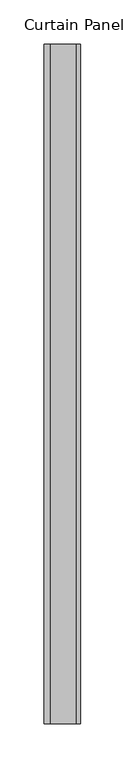
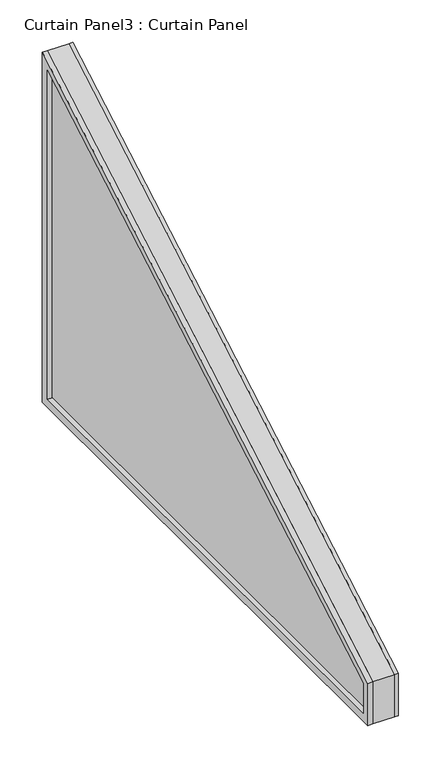
"""IFC4 building model written with IfcOpenShell, lengths in millimetres: plate geometry, Curtain Panel3 : Curtain Panel."""

import ifcopenshell
import ifcopenshell.guid

model = None  # the IFC model being written
_history = None  # IfcOwnerHistory: only IFC2X3 demands one
_inside = {}  # id of a spatial element -> (the spatial element, [elements in it])
_under = {}  # id of a project, library or spatial element -> (it, [spatial elements below it])
_declared = {}  # id of a project -> (the project, [libraries it declares])
_typed = {}  # id of a type object -> (the type object, [elements of that type])
_made_of = {}  # id of a material, layer set ... -> (it, [elements and type objects made of it])


def new_model(schema):
    """Start an empty IFC model of exactly this schema.

    Asked for "IFC4X3", IfcOpenShell would pick the latest addendum, in which some entities
    have other attributes; the version numbers below select the first issue.
    IFC2X3 requires an IfcOwnerHistory on every rooted entity: one is made here for all.
    """
    global model, _history
    if schema == "IFC4X3":
        model = ifcopenshell.file(schema_version=(4, 3, 0, 0))
    else:
        model = ifcopenshell.file(schema=schema)
    _inside.clear()
    _under.clear()
    _declared.clear()
    _typed.clear()
    _made_of.clear()
    _history = None
    if model.schema == "IFC2X3":
        org = make("IfcOrganization", Name="unknown")
        user = make(
            "IfcPersonAndOrganization",
            ThePerson=make("IfcPerson", FamilyName="unknown"),
            TheOrganization=org,
        )
        app = make(
            "IfcApplication",
            ApplicationDeveloper=org,
            Version="unknown",
            ApplicationFullName="unknown",
            ApplicationIdentifier="unknown",
        )
        _history = make(
            "IfcOwnerHistory",
            OwningUser=user,
            OwningApplication=app,
            ChangeAction="ADDED",
            CreationDate=0,
        )
    return model


def make(cls, **values):
    """One entity of the class cls with the attributes given. An attribute that is None is left unset."""
    return model.create_entity(
        cls, **{name: value for name, value in values.items() if value is not None}
    )


def rooted(cls, **values):
    """An entity with a GlobalId (a new one), such as an element, a storey or a relation."""
    return make(cls, GlobalId=ifcopenshell.guid.new(), OwnerHistory=_history, **values)


def si_unit(unit_type, name, prefix=None):
    """IfcSIUnit, for example si_unit("LENGTHUNIT", "METRE", prefix="MILLI")."""
    return make("IfcSIUnit", UnitType=unit_type, Prefix=prefix, Name=name)


def assignment(units):
    """IfcUnitAssignment: the units of a project."""
    return None if units is None else make("IfcUnitAssignment", Units=units)


def point(xyz):
    """IfcCartesianPoint."""
    return None if xyz is None else make("IfcCartesianPoint", Coordinates=xyz)


def direction(xyz):
    """IfcDirection."""
    return None if xyz is None else make("IfcDirection", DirectionRatios=xyz)


def frame(location, z_axis=None, x_axis=None):
    """IfcAxis2Placement3D, a coordinate frame: its origin and axes. An axis left out is left unset."""
    return make(
        "IfcAxis2Placement3D",
        Location=point(location),
        Axis=direction(z_axis),
        RefDirection=direction(x_axis),
    )


def origin():
    """The frame at (0, 0, 0) with its axes left unset."""
    return frame((0.0, 0.0, 0.0))


def place(relative_to, where):
    """IfcLocalPlacement: puts the frame where relative to a parent placement (None: the world)."""
    return make(
        "IfcLocalPlacement", PlacementRelTo=relative_to, RelativePlacement=where
    )


def context(
    kind, dimensions, precision=None, world=None, true_north=None, identifier=None
):
    """IfcGeometricRepresentationContext, for example the 3D "Model" context."""
    return make(
        "IfcGeometricRepresentationContext",
        ContextIdentifier=identifier,
        ContextType=kind,
        CoordinateSpaceDimension=dimensions,
        Precision=precision,
        WorldCoordinateSystem=world,
        TrueNorth=true_north,
    )


def project(units=None, contexts=None):
    """IfcProject with its units and contexts."""
    return rooted(
        "IfcProject",
        Name="project",
        RepresentationContexts=contexts,
        UnitsInContext=assignment(units),
    )


def spatial(cls, under=None, at=None, **own):
    """A site, building, storey or space (cls), placed at a placement, below another one or the project."""
    s = rooted(cls, ObjectPlacement=at, **own)
    if under is not None:
        _under.setdefault(under.id(), (under, []))[1].append(s)
    return s


def polyline(points):
    """IfcPolyline through the points."""
    return make("IfcPolyline", Points=[point(p) for p in points])


def outline(outer, holes=None, kind="AREA"):
    """IfcArbitraryClosedProfileDef: a profile drawn as a closed curve; with holes, ...WithVoids."""
    if holes is None:
        return make("IfcArbitraryClosedProfileDef", ProfileType=kind, OuterCurve=outer)
    return make(
        "IfcArbitraryProfileDefWithVoids",
        ProfileType=kind,
        OuterCurve=outer,
        InnerCurves=holes,
    )


def extrude(swept, where, along, depth):
    """IfcExtrudedAreaSolid: the profile swept, set in the frame where, extruded along a direction by depth."""
    return make(
        "IfcExtrudedAreaSolid",
        SweptArea=swept,
        Position=where,
        ExtrudedDirection=direction(along),
        Depth=depth,
    )


def shape(context_of_items, identifier, shape_type, items):
    """IfcShapeRepresentation: the items that make up one representation, for example the "Body"."""
    return make(
        "IfcShapeRepresentation",
        ContextOfItems=context_of_items,
        RepresentationIdentifier=identifier,
        RepresentationType=shape_type,
        Items=items,
    )


def source(mapping_origin, context_of_items, identifier, shape_type, items):
    """IfcRepresentationMap: a shape defined once, which mapped items show again and again."""
    return make(
        "IfcRepresentationMap",
        MappingOrigin=mapping_origin,
        MappedRepresentation=shape(context_of_items, identifier, shape_type, items),
    )


def transform(
    local_origin,
    x_axis=None,
    y_axis=None,
    z_axis=None,
    scale=None,
    scale2=None,
    scale3=None,
    uniform=True,
):
    """IfcCartesianTransformationOperator3D, or its non-uniform kind. x_axis, y_axis, z_axis: its Axis1, 2, 3."""
    if uniform:
        return make(
            "IfcCartesianTransformationOperator3D",
            Axis1=direction(x_axis),
            Axis2=direction(y_axis),
            LocalOrigin=point(local_origin),
            Scale=scale,
            Axis3=direction(z_axis),
        )
    return make(
        "IfcCartesianTransformationOperator3DnonUniform",
        Axis1=direction(x_axis),
        Axis2=direction(y_axis),
        LocalOrigin=point(local_origin),
        Scale=scale,
        Axis3=direction(z_axis),
        Scale2=scale2,
        Scale3=scale3,
    )


def mapped(mapping_source, mapping_target):
    """IfcMappedItem: shows the shape of a source again, moved by a transform."""
    return make(
        "IfcMappedItem", MappingSource=mapping_source, MappingTarget=mapping_target
    )


def made_of(thing, what):
    """Note that an element or type object is made of a material, layer set ...; save() writes the relation."""
    if what is not None:
        _made_of.setdefault(what.id(), (what, []))[1].append(thing)
    return thing


def element(
    cls,
    number,
    at=None,
    inside=None,
    cuts=None,
    type_object=None,
    material=None,
    context=None,
    identifier="Body",
    shape_type=None,
    held_by="IfcProductDefinitionShape",
    body=None,
    shapes=None,
    **own,
):
    """One element of the class cls, such as IfcWall. Its Tag is "e" and its number.

    at: its placement. inside: the storey or other place that contains it. cuts: it is an
    opening in that element (IfcRelVoidsElement). A single representation is given by context,
    identifier, shape_type and body (its items); several are given by shapes. held_by: the class
    of the entity that holds the representations. save() writes the other relations.
    """
    e = rooted(cls, Tag="e%d" % number, ObjectPlacement=at, **own)
    if body is not None:
        shapes = [shape(context, identifier, shape_type, body)]
    if shapes is not None:
        e.Representation = make(held_by, Representations=shapes)
    if inside is not None:
        _inside.setdefault(inside.id(), (inside, []))[1].append(e)
    if cuts is not None:
        rooted(
            "IfcRelVoidsElement", RelatingBuildingElement=cuts, RelatedOpeningElement=e
        )
    if type_object is not None:
        _typed.setdefault(type_object.id(), (type_object, []))[1].append(e)
    return made_of(e, material)


def aggregate(whole, parts):
    """IfcRelAggregates: a whole, such as a stair, and the parts it consists of."""
    return rooted("IfcRelAggregates", RelatingObject=whole, RelatedObjects=parts)


def save(model, path):
    """Write the relations noted so far, then the file.

    IfcRelAggregates (storeys below a building ...), IfcRelContainedInSpatialStructure (elements
    in a storey), IfcRelDefinesByType, IfcRelAssociatesMaterial and IfcRelDeclares: one each for
    every whole, place, type object, material and project.
    """
    for whole, parts in _under.values():
        aggregate(whole, parts)
    for where, things in _inside.values():
        rooted(
            "IfcRelContainedInSpatialStructure",
            RelatedElements=things,
            RelatingStructure=where,
        )
    for kind, things in _typed.values():
        rooted("IfcRelDefinesByType", RelatedObjects=things, RelatingType=kind)
    for what, things in _made_of.values():
        rooted("IfcRelAssociatesMaterial", RelatedObjects=things, RelatingMaterial=what)
    for by, libraries in _declared.values():
        rooted("IfcRelDeclares", RelatingContext=by, RelatedDefinitions=libraries)
    model.write(path)


def curtain_panel3_curtain_panel_67b4f9da(model_context):
    return source(origin(), model_context, "Body", "SweptSolid", [
        extrude(outline(polyline([(-21025.7929703, 701.5175984), (-20257.500174, 1145.0916511), (-20257.500174, 640.8201889), (-21025.7929703, 640.8201889), (-21025.7929703, 701.5175984)]), holes=[polyline([(-21014.7550015, 651.8581576), (-20268.5381428, 651.8581576), (-20268.5381428, 1125.9733284), (-21014.7550015, 695.1448242), (-21014.7550015, 651.8581576)])]), frame((12059.7409534, 0.0, 0.0), z_axis=(1.0, 0.0, 0.0), x_axis=(0.0, 1.0, 0.0)), (0.0, 0.0, 1.0), 4.8807891),
        extrude(outline(polyline([(-21025.7929703, 701.5175984), (-20257.500174, 1145.0916511), (-20257.500174, 640.8201889), (-21025.7929703, 640.8201889), (-21025.7929703, 701.5175984)]), holes=[polyline([(-21014.7550015, 651.8581576), (-20268.5381428, 651.8581576), (-20268.5381428, 1125.9733284), (-21014.7550015, 695.1448242), (-21014.7550015, 651.8581576)])]), frame((12023.0903612, 0.0, 0.0), z_axis=(1.0, 0.0, 0.0), x_axis=(0.0, 1.0, 0.0)), (0.0, 0.0, 1.0), 6.8344677),
        extrude(outline(polyline([(-21025.7929703, 640.8201889), (-21025.7929703, 701.5175984), (-20257.500174, 1145.0916511), (-20257.500174, 640.8201889), (-21025.7929703, 640.8201889)])), frame((12029.9248289, 0.0, 0.0), z_axis=(1.0, 0.0, 0.0), x_axis=(0.0, 1.0, 0.0)), (0.0, 0.0, 1.0), 29.8161245),
    ])


if __name__ == "__main__":
    model = new_model("IFC4")
    model_context = context("Model", 3, world=origin())
    ifc_project = project(units=[si_unit("LENGTHUNIT", "METRE", prefix="MILLI")], contexts=[model_context])
    site = spatial("IfcSite", under=ifc_project)
    building = spatial("IfcBuilding", under=site)
    placement = place(None, origin())
    curtain_panel3_curtain_panel_shape = curtain_panel3_curtain_panel_67b4f9da(model_context)
    element("IfcPlate", 1, ObjectType="Curtain Panel3 : Curtain Panel", at=placement, inside=building, context=model_context, shape_type="MappedRepresentation", body=[
        mapped(curtain_panel3_curtain_panel_shape, transform((0.0, 0.0, 0.0), x_axis=(1.0, 0.0, 0.0), y_axis=(0.0, 1.0, 0.0), z_axis=(0.0, 0.0, 1.0))),
    ])
    save(model, "model.ifc")
